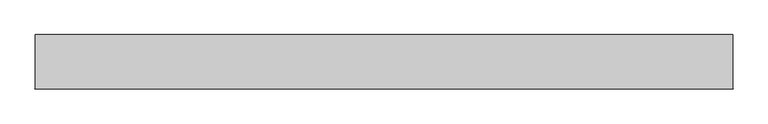
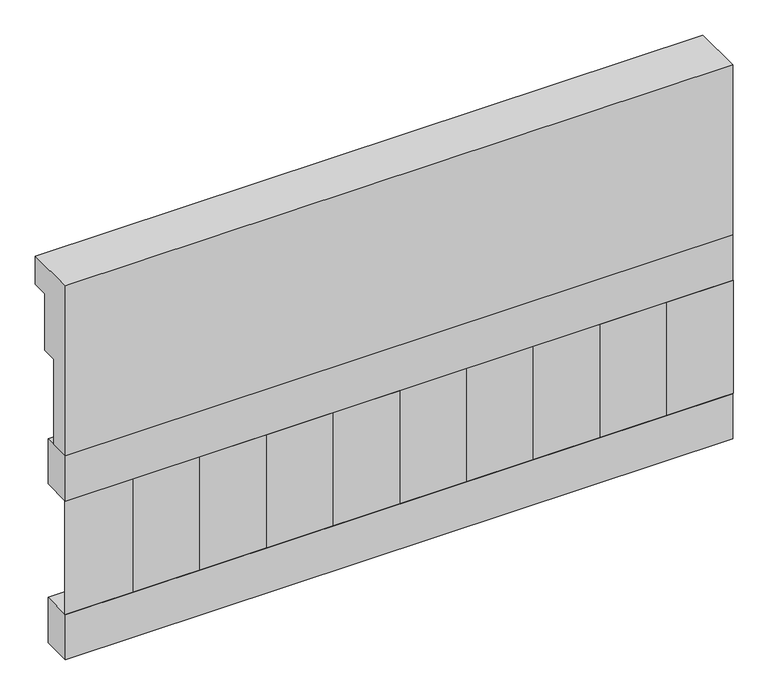
"""IFC4 building model written with IfcOpenShell, lengths in millimetres: railing geometry."""

from ifc_helpers import new_model, si_unit, frame, origin, place, context, project, spatial, polyline, outline, extrude, source, transform, mapped, element, save


def railing_b4d79cc4(model_context):
    return source(origin(), model_context, "Body", "SweptSolid", [
        extrude(outline(polyline([(903.1079487, 28400.0), (1033.1079487, 28400.0), (1033.1079487, 28325.0), (993.1079487, 28325.0), (993.1079487, 28175.0), (953.1079487, 28175.0), (953.1079487, 27950.0), (903.1079487, 27950.0), (903.1079487, 28400.0)])), frame((-29609.9887159, 0.0, 0.0), z_axis=(1.0, 0.0, 0.0), x_axis=(0.0, 1.0, 0.0)), (0.0, 0.0, 1.0), 1670.0),
        extrude(outline(polyline([(-27939.9887159, 978.1079487), (-27939.9887159, 903.1079487), (-29609.9887159, 903.1079487), (-29609.9887159, 978.1079487), (-27939.9887159, 978.1079487)])), frame((0.0, 0.0, 27830.0), z_axis=(0.0, 0.0, 1.0), x_axis=(1.0, 0.0, 0.0)), (0.0, 0.0, 1.0), 120.0),
        extrude(outline(polyline([(-27939.9887159, 978.1079487), (-27939.9887159, 903.1079487), (-29609.9887159, 903.1079487), (-29609.9887159, 978.1079487), (-27939.9887159, 978.1079487)])), frame((0.0, 0.0, 27410.0), z_axis=(0.0, 0.0, 1.0), x_axis=(1.0, 0.0, 0.0)), (0.0, 0.0, 1.0), 120.0),
        extrude(outline(polyline([(-29526.4887159, 987.9607624), (-29441.6359022, 903.1079487), (-29611.3415296, 903.1079487), (-29526.4887159, 987.9607624)])), frame((0.0, 0.0, 27530.0), z_axis=(0.0, 0.0, 1.0), x_axis=(1.0, 0.0, 0.0)), (0.0, 0.0, 1.0), 300.0),
        extrude(outline(polyline([(-29359.4887159, 987.9607624), (-29274.6359022, 903.1079487), (-29444.3415296, 903.1079487), (-29359.4887159, 987.9607624)])), frame((0.0, 0.0, 27530.0), z_axis=(0.0, 0.0, 1.0), x_axis=(1.0, 0.0, 0.0)), (0.0, 0.0, 1.0), 300.0),
        extrude(outline(polyline([(-29192.4887159, 987.9607624), (-29107.6359022, 903.1079487), (-29277.3415296, 903.1079487), (-29192.4887159, 987.9607624)])), frame((0.0, 0.0, 27530.0), z_axis=(0.0, 0.0, 1.0), x_axis=(1.0, 0.0, 0.0)), (0.0, 0.0, 1.0), 300.0),
        extrude(outline(polyline([(-29025.4887159, 987.9607624), (-28940.6359022, 903.1079487), (-29110.3415296, 903.1079487), (-29025.4887159, 987.9607624)])), frame((0.0, 0.0, 27530.0), z_axis=(0.0, 0.0, 1.0), x_axis=(1.0, 0.0, 0.0)), (0.0, 0.0, 1.0), 300.0),
        extrude(outline(polyline([(-28858.4887159, 987.9607624), (-28773.6359022, 903.1079487), (-28943.3415296, 903.1079487), (-28858.4887159, 987.9607624)])), frame((0.0, 0.0, 27530.0), z_axis=(0.0, 0.0, 1.0), x_axis=(1.0, 0.0, 0.0)), (0.0, 0.0, 1.0), 300.0),
        extrude(outline(polyline([(-28691.4887159, 987.9607624), (-28606.6359022, 903.1079487), (-28776.3415296, 903.1079487), (-28691.4887159, 987.9607624)])), frame((0.0, 0.0, 27530.0), z_axis=(0.0, 0.0, 1.0), x_axis=(1.0, 0.0, 0.0)), (0.0, 0.0, 1.0), 300.0),
        extrude(outline(polyline([(-28524.4887159, 987.9607624), (-28439.6359022, 903.1079487), (-28609.3415296, 903.1079487), (-28524.4887159, 987.9607624)])), frame((0.0, 0.0, 27530.0), z_axis=(0.0, 0.0, 1.0), x_axis=(1.0, 0.0, 0.0)), (0.0, 0.0, 1.0), 300.0),
        extrude(outline(polyline([(-28357.4887159, 987.9607624), (-28272.6359022, 903.1079487), (-28442.3415296, 903.1079487), (-28357.4887159, 987.9607624)])), frame((0.0, 0.0, 27530.0), z_axis=(0.0, 0.0, 1.0), x_axis=(1.0, 0.0, 0.0)), (0.0, 0.0, 1.0), 300.0),
        extrude(outline(polyline([(-28190.4887159, 987.9607624), (-28105.6359022, 903.1079487), (-28275.3415296, 903.1079487), (-28190.4887159, 987.9607624)])), frame((0.0, 0.0, 27530.0), z_axis=(0.0, 0.0, 1.0), x_axis=(1.0, 0.0, 0.0)), (0.0, 0.0, 1.0), 300.0),
        extrude(outline(polyline([(-28023.4887159, 987.9607624), (-27938.6359022, 903.1079487), (-28108.3415296, 903.1079487), (-28023.4887159, 987.9607624)])), frame((0.0, 0.0, 27530.0), z_axis=(0.0, 0.0, 1.0), x_axis=(1.0, 0.0, 0.0)), (0.0, 0.0, 1.0), 300.0),
    ])


if __name__ == "__main__":
    model = new_model("IFC4")
    model_context = context("Model", 3, world=origin())
    ifc_project = project(units=[si_unit("LENGTHUNIT", "METRE", prefix="MILLI")], contexts=[model_context])
    site = spatial("IfcSite", under=ifc_project)
    building = spatial("IfcBuilding", under=site)
    placement = place(None, origin())
    railing_shape = railing_b4d79cc4(model_context)
    element("IfcRailing", 1, at=placement, inside=building, context=model_context, shape_type="MappedRepresentation", body=[
        mapped(railing_shape, transform((0.0, 0.0, 0.0), x_axis=(1.0, 0.0, 0.0), y_axis=(0.0, 1.0, 0.0), z_axis=(0.0, 0.0, 1.0))),
    ])
    save(model, "model.ifc")
